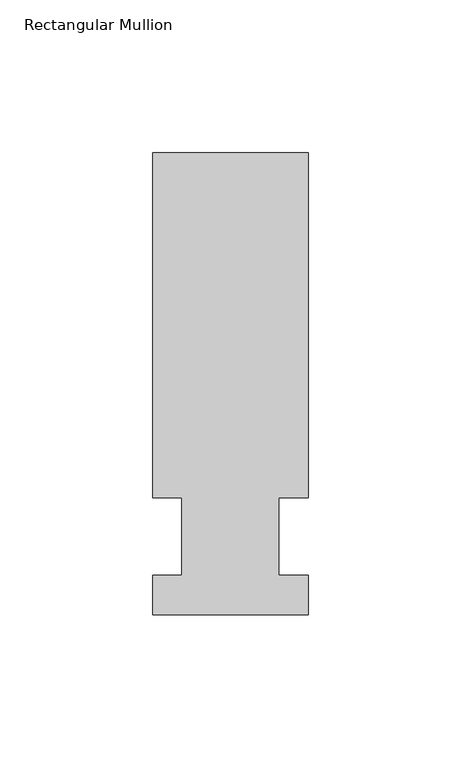
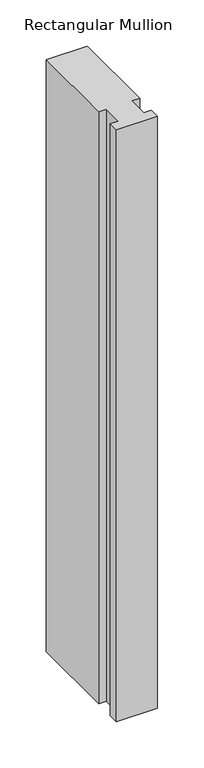
"""IFC4 building model written with IfcOpenShell, lengths in millimetres: member geometry, Rectangular Mullion."""

from ifc_helpers import new_model, si_unit, frame, origin, place, context, project, spatial, polyline, outline, extrude, source, transform, mapped, element, save


def rectangular_mullion_d1c78941(model_context):
    return source(origin(), model_context, "Body", "SweptSolid", [
        extrude(outline(polyline([(-25.4, -25.5984375), (-25.4, -12.7), (-15.875, -12.7), (-15.875, 12.7), (-25.4, 12.7), (-25.4, 125.6109375), (25.4, 125.6109375), (25.4, 12.7), (15.875, 12.7), (15.875, -12.7), (25.4, -12.7), (25.4, -25.5984375), (-25.4, -25.5984375)])), frame((0.0, 0.0, -779.4625), z_axis=(0.0, 0.0, 1.0), x_axis=(1.0, 0.0, 0.0)), (0.0, 0.0, 1.0), 779.4625),
    ])


if __name__ == "__main__":
    model = new_model("IFC4")
    model_context = context("Model", 3, world=origin())
    ifc_project = project(units=[si_unit("LENGTHUNIT", "METRE", prefix="MILLI")], contexts=[model_context])
    site = spatial("IfcSite", under=ifc_project)
    building = spatial("IfcBuilding", under=site)
    placement = place(None, origin())
    rectangular_mullion_shape = rectangular_mullion_d1c78941(model_context)
    element("IfcMember", 1, ObjectType="Rectangular Mullion", at=placement, inside=building, context=model_context, shape_type="MappedRepresentation", body=[
        mapped(rectangular_mullion_shape, transform((0.0, 0.0, 0.0), x_axis=(1.0, 0.0, 0.0), y_axis=(0.0, 1.0, 0.0), z_axis=(0.0, 0.0, 1.0))),
    ])
    save(model, "model.ifc")
